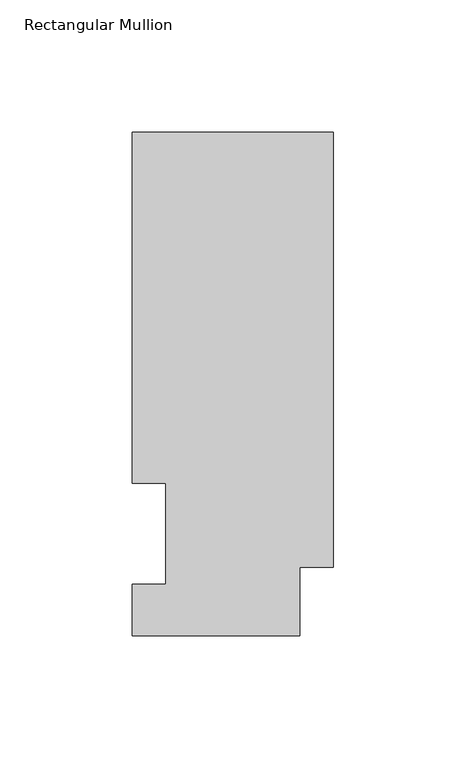
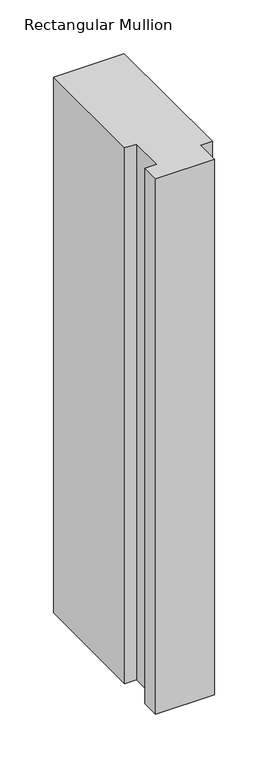
"""IFC4 building model written with IfcOpenShell, lengths in millimetres: member geometry, Rectangular Mullion."""

from ifc_helpers import new_model, si_unit, frame, origin, place, context, project, spatial, polyline, outline, extrude, source, transform, mapped, element, save


def rectangular_mullion_2c4cdc87(model_context):
    return source(origin(), model_context, "Body", "SweptSolid", [
        extrude(outline(polyline([(-76.2, 0.0134937), (-76.2, 19.5460937), (-63.5127, 19.5460937), (-63.5127, 57.6460937), (-76.2, 57.6460937), (-76.2, 190.5896937), (0.0, 190.5896937), (0.0, 25.8960937), (-12.7, 25.8960937), (-12.7, 0.0134937), (-76.2, 0.0134937)])), frame((0.0, 0.0, -609.56825), z_axis=(0.0, 0.0, 1.0), x_axis=(1.0, 0.0, 0.0)), (0.0, 0.0, 1.0), 609.56825),
    ])


if __name__ == "__main__":
    model = new_model("IFC4")
    model_context = context("Model", 3, world=origin())
    ifc_project = project(units=[si_unit("LENGTHUNIT", "METRE", prefix="MILLI")], contexts=[model_context])
    site = spatial("IfcSite", under=ifc_project)
    building = spatial("IfcBuilding", under=site)
    placement = place(None, origin())
    rectangular_mullion_shape = rectangular_mullion_2c4cdc87(model_context)
    element("IfcMember", 1, ObjectType="Rectangular Mullion", at=placement, inside=building, context=model_context, shape_type="MappedRepresentation", body=[
        mapped(rectangular_mullion_shape, transform((0.0, 0.0, 0.0), x_axis=(1.0, 0.0, 0.0), y_axis=(0.0, 1.0, 0.0), z_axis=(0.0, 0.0, 1.0))),
    ])
    save(model, "model.ifc")
